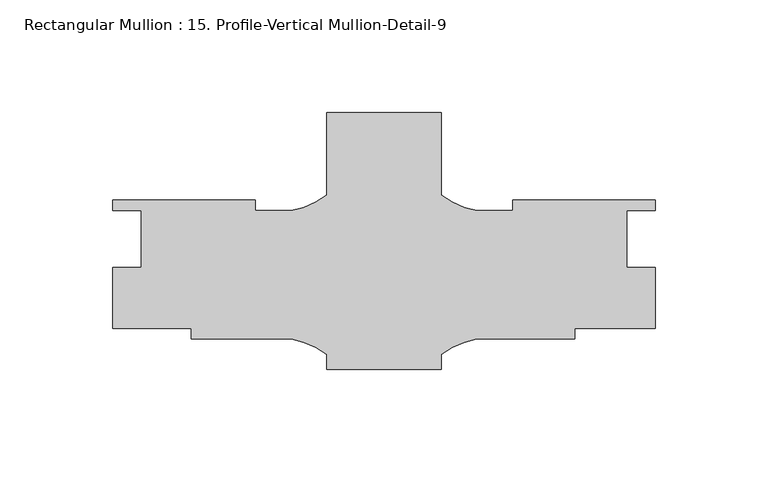
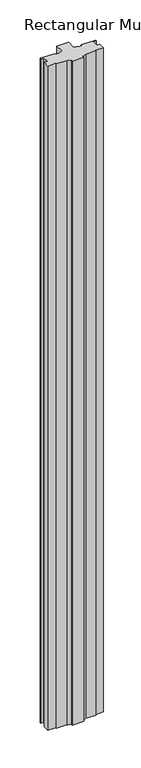
"""IFC4 building model written with IfcOpenShell, lengths in millimetres: member geometry, Rectangular Mullion : 15. Profile-Vertical Mullion-Detail-9."""

from ifc_helpers import new_model, si_unit, point, frame, frame_2d, origin, place, context, project, spatial, polyline, circle_curve, trimmed, segment, composite_curve, outline, extrude, source, transform, mapped, element, save


def rectangular_mullion_15_profile_vertical_mullion_detail_9_69176fa9(model_context):
    return source(origin(), model_context, "Body", "SweptSolid", [
        extrude(outline(composite_curve([segment(polyline([(-25.4, 59.8289063), (25.4, 59.8289063), (25.4, 23.0029413)]), True, "CONTINUOUS"), segment(trimmed(circle_curve(frame_2d((47.5843006, 52.5469784)), 36.945816), [point((25.4, 23.0029413))], [point((41.2187366, 16.1536697))], True, "CARTESIAN"), True, "CONTINUOUS"), segment(polyline([(41.2187366, 16.1536697), (57.15, 16.1536697), (57.15, 20.9161697), (120.65, 20.9161698), (120.65, 16.2171697), (107.95, 16.2171697), (107.95, -9.1828303), (120.65, -9.1828303), (120.65, -36.2338303), (84.71948, -36.2338303), (84.71948, -40.9963303), (41.2172861, -40.9963303)]), True, "CONTINUOUS"), segment(trimmed(circle_curve(frame_2d((47.5843006, -77.3893852)), 36.945816), [point((41.2172861, -40.9963303))], [point((25.4, -47.8453481))], True, "CARTESIAN"), True, "CONTINUOUS"), segment(polyline([(25.4, -47.8453481), (25.4, -54.4710937), (-25.4, -54.4710938), (-25.4, -47.8453481)]), True, "CONTINUOUS"), segment(trimmed(circle_curve(frame_2d((-47.5843006, -77.3893852)), 36.945816), [point((-25.4, -47.8453481))], [point((-41.2172861, -40.9963303))], True, "CARTESIAN"), True, "CONTINUOUS"), segment(polyline([(-41.2172861, -40.9963303), (-85.6672861, -40.9963303), (-85.6672861, -36.2338303), (-120.65, -36.2338303), (-120.65, -9.1895929), (-107.95, -9.1895929), (-107.95, 16.2171697), (-120.65, 16.2171697), (-120.65, 20.9161697), (-57.15, 20.9161698), (-57.15, 16.1536697), (-41.2187366, 16.1536697)]), True, "CONTINUOUS"), segment(trimmed(circle_curve(frame_2d((-47.5843006, 52.5469784)), 36.945816), [point((-41.2187366, 16.1536697))], [point((-25.4, 23.0029413))], True, "CARTESIAN"), True, "CONTINUOUS"), segment(polyline([(-25.4, 23.0029413), (-25.4, 59.8289063)]), True, "CONTINUOUS")], self_intersect=False)), frame((0.0, 0.0, -3048.0), z_axis=(0.0, 0.0, 1.0), x_axis=(1.0, 0.0, 0.0)), (0.0, 0.0, 1.0), 3048.0),
    ])


if __name__ == "__main__":
    model = new_model("IFC4")
    model_context = context("Model", 3, world=origin())
    ifc_project = project(units=[si_unit("LENGTHUNIT", "METRE", prefix="MILLI")], contexts=[model_context])
    site = spatial("IfcSite", under=ifc_project)
    building = spatial("IfcBuilding", under=site)
    placement = place(None, origin())
    rectangular_mullion_15_profile_vertical_mullion_detail_9_shape = rectangular_mullion_15_profile_vertical_mullion_detail_9_69176fa9(model_context)
    element("IfcMember", 1, ObjectType="Rectangular Mullion : 15. Profile-Vertical Mullion-Detail-9", at=placement, inside=building, context=model_context, shape_type="MappedRepresentation", body=[
        mapped(rectangular_mullion_15_profile_vertical_mullion_detail_9_shape, transform((0.0, 0.0, 0.0), x_axis=(1.0, 0.0, 0.0), y_axis=(0.0, 1.0, 0.0), z_axis=(0.0, 0.0, 1.0))),
    ])
    save(model, "model.ifc")
